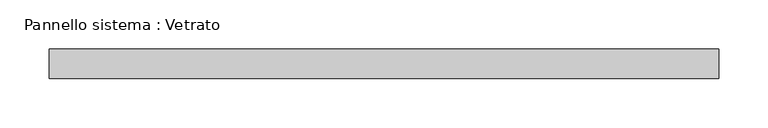
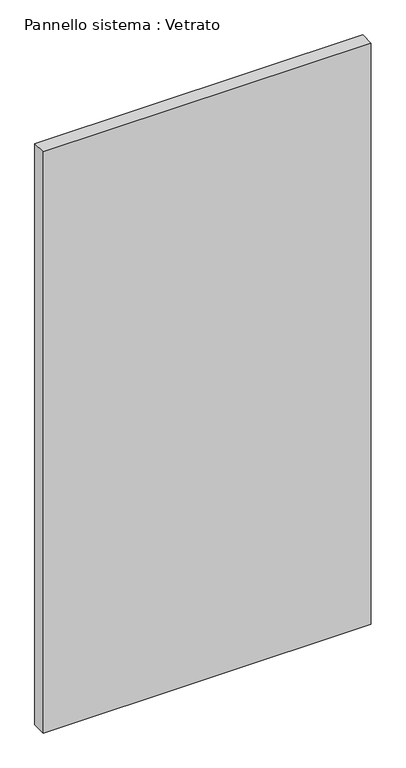
"""IFC4 building model written with IfcOpenShell, lengths in millimetres: plate geometry, Pannello sistema : Vetrato."""

from ifc_helpers import new_model, si_unit, origin, origin_with_axes, place, context, project, spatial, polyline, outline, extrude, source, transform, mapped, element, save


def pannello_sistema_vetrato_8daf385e(model_context):
    return source(origin(), model_context, "Body", "SweptSolid", [
        extrude(outline(polyline([(340.5, -15.0), (-340.5, -15.0), (-340.5, 15.0), (340.5, 15.0), (340.5, -15.0)])), origin_with_axes(), (0.0, 0.0, 1.0), 1275.0),
    ])


if __name__ == "__main__":
    model = new_model("IFC4")
    model_context = context("Model", 3, world=origin())
    ifc_project = project(units=[si_unit("LENGTHUNIT", "METRE", prefix="MILLI")], contexts=[model_context])
    site = spatial("IfcSite", under=ifc_project)
    building = spatial("IfcBuilding", under=site)
    placement = place(None, origin())
    pannello_sistema_vetrato_shape = pannello_sistema_vetrato_8daf385e(model_context)
    element("IfcPlate", 1, ObjectType="Pannello sistema : Vetrato", at=placement, inside=building, context=model_context, shape_type="MappedRepresentation", body=[
        mapped(pannello_sistema_vetrato_shape, transform((0.0, 0.0, 0.0), x_axis=(1.0, 0.0, 0.0), y_axis=(0.0, 1.0, 0.0), z_axis=(0.0, 0.0, 1.0))),
    ])
    save(model, "model.ifc")
